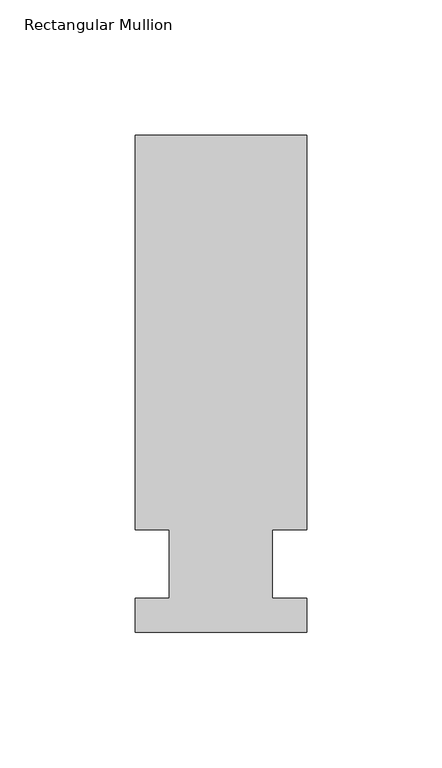
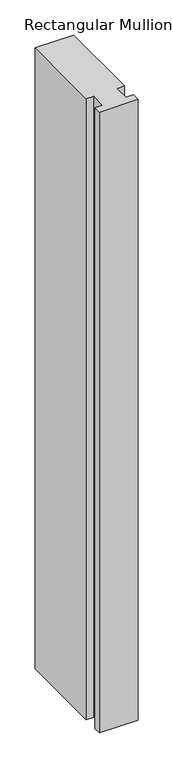
"""IFC4 building model written with IfcOpenShell, lengths in millimetres: member geometry, Rectangular Mullion."""

from ifc_helpers import new_model, si_unit, frame, origin, place, context, project, spatial, polyline, outline, extrude, source, transform, mapped, element, save


def rectangular_mullion_1b80ebc6(model_context):
    return source(origin(), model_context, "Body", "SweptSolid", [
        extrude(outline(polyline([(36.0844027, 158.75), (36.0844027, 12.7), (23.3826322, 12.7), (23.3826322, -12.7), (36.0844027, -12.7), (36.0844027, -25.4), (-27.4155973, -25.4), (-27.4155973, -12.7), (-14.7155973, -12.7), (-14.7155973, 12.7), (-27.4155973, 12.7), (-27.4155973, 158.75), (36.0844027, 158.75)])), frame((0.0, 0.0, -1080.6594027), z_axis=(0.0, 0.0, 1.0), x_axis=(1.0, 0.0, 0.0)), (0.0, 0.0, 1.0), 1080.6594027),
    ])


if __name__ == "__main__":
    model = new_model("IFC4")
    model_context = context("Model", 3, world=origin())
    ifc_project = project(units=[si_unit("LENGTHUNIT", "METRE", prefix="MILLI")], contexts=[model_context])
    site = spatial("IfcSite", under=ifc_project)
    building = spatial("IfcBuilding", under=site)
    placement = place(None, origin())
    rectangular_mullion_shape = rectangular_mullion_1b80ebc6(model_context)
    element("IfcMember", 1, ObjectType="Rectangular Mullion", at=placement, inside=building, context=model_context, shape_type="MappedRepresentation", body=[
        mapped(rectangular_mullion_shape, transform((0.0, 0.0, 0.0), x_axis=(1.0, 0.0, 0.0), y_axis=(0.0, 1.0, 0.0), z_axis=(0.0, 0.0, 1.0))),
    ])
    save(model, "model.ifc")
